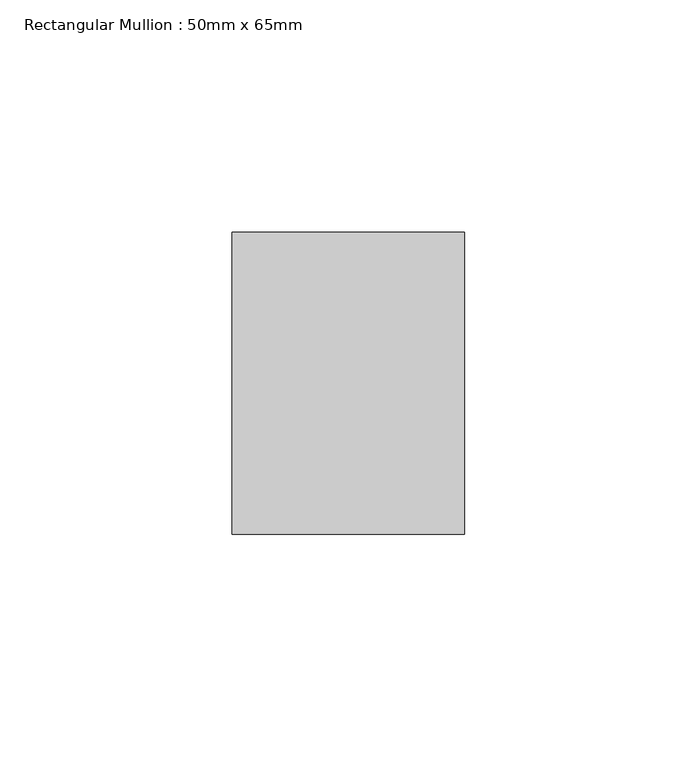
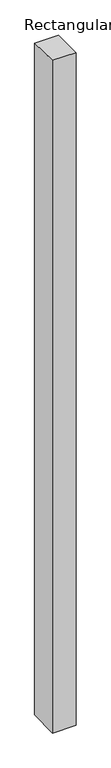
"""IFC4 building model written with IfcOpenShell, lengths in millimetres: member geometry, Rectangular Mullion : 50mm x 65mm."""

from ifc_helpers import new_model, si_unit, frame, origin, place, context, project, spatial, polyline, outline, extrude, source, transform, mapped, element, save


def rectangular_mullion_50mm_x_65mm_3780b041(model_context):
    return source(origin(), model_context, "Body", "SweptSolid", [
        extrude(outline(polyline([(-32.5, 0.4518152), (32.5, -0.4518151), (32.5, -1499.4313768), (-32.5, -1500.568017), (-32.5, 0.4518152)])), frame((-25.0, 0.0, 0.0), z_axis=(1.0, 0.0, 0.0), x_axis=(0.0, 1.0, 0.0)), (0.0, 0.0, 1.0), 50.0),
    ])


if __name__ == "__main__":
    model = new_model("IFC4")
    model_context = context("Model", 3, world=origin())
    ifc_project = project(units=[si_unit("LENGTHUNIT", "METRE", prefix="MILLI")], contexts=[model_context])
    site = spatial("IfcSite", under=ifc_project)
    building = spatial("IfcBuilding", under=site)
    placement = place(None, origin())
    rectangular_mullion_50mm_x_65mm_shape = rectangular_mullion_50mm_x_65mm_3780b041(model_context)
    element("IfcMember", 1, ObjectType="Rectangular Mullion : 50mm x 65mm", at=placement, inside=building, context=model_context, shape_type="MappedRepresentation", body=[
        mapped(rectangular_mullion_50mm_x_65mm_shape, transform((0.0, 0.0, 0.0), x_axis=(1.0, 0.0, 0.0), y_axis=(0.0, 1.0, 0.0), z_axis=(0.0, 0.0, 1.0))),
    ])
    save(model, "model.ifc")
